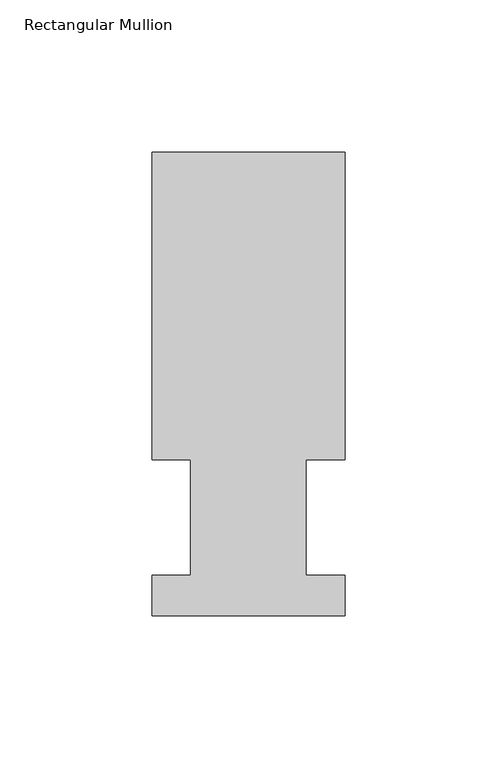
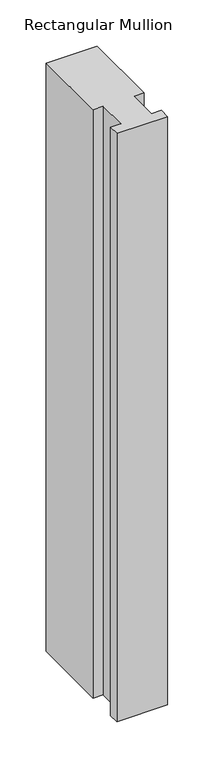
"""IFC4 building model written with IfcOpenShell, lengths in millimetres: member geometry, Rectangular Mullion."""

from ifc_helpers import new_model, si_unit, frame, origin, place, context, project, spatial, polyline, outline, extrude, source, transform, mapped, element, save


def rectangular_mullion_9c82f6d9(model_context):
    return source(origin(), model_context, "Body", "SweptSolid", [
        extrude(outline(polyline([(-31.75, 152.4896937), (31.75, 152.4896937), (31.75, 51.2960938), (19.05, 51.2960938), (19.05, 13.1960938), (31.75, 13.1960938), (31.75, 0.0134938), (-31.75, 0.0134938), (-31.75, 13.1960938), (-19.05, 13.1960938), (-19.05, 51.2960938), (-31.75, 51.2960938), (-31.75, 152.4896937)])), frame((0.0, 0.0, -774.7), z_axis=(0.0, 0.0, 1.0), x_axis=(1.0, 0.0, 0.0)), (0.0, 0.0, 1.0), 774.7),
    ])


if __name__ == "__main__":
    model = new_model("IFC4")
    model_context = context("Model", 3, world=origin())
    ifc_project = project(units=[si_unit("LENGTHUNIT", "METRE", prefix="MILLI")], contexts=[model_context])
    site = spatial("IfcSite", under=ifc_project)
    building = spatial("IfcBuilding", under=site)
    placement = place(None, origin())
    rectangular_mullion_shape = rectangular_mullion_9c82f6d9(model_context)
    element("IfcMember", 1, ObjectType="Rectangular Mullion", at=placement, inside=building, context=model_context, shape_type="MappedRepresentation", body=[
        mapped(rectangular_mullion_shape, transform((0.0, 0.0, 0.0), x_axis=(1.0, 0.0, 0.0), y_axis=(0.0, 1.0, 0.0), z_axis=(0.0, 0.0, 1.0))),
    ])
    save(model, "model.ifc")
